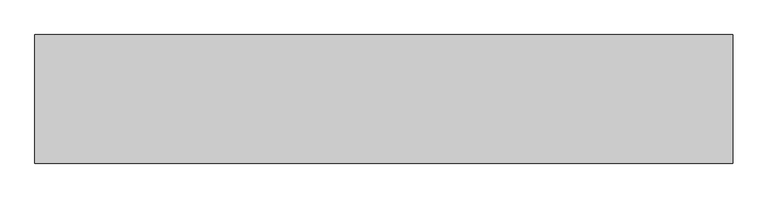
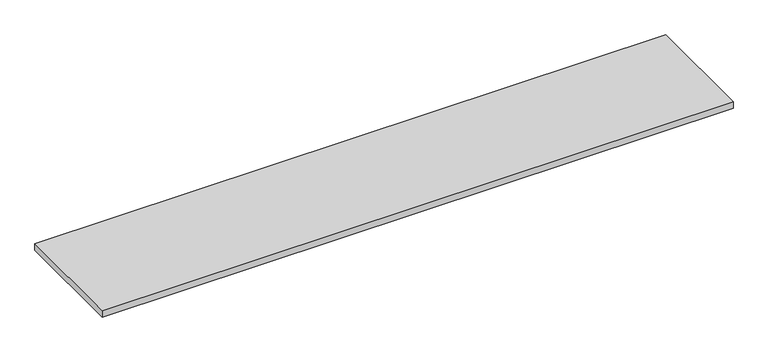
"""IFC4 building model written with IfcOpenShell, lengths in millimetres: furniture geometry."""

from ifc_helpers import new_model, si_unit, frame, origin, place, context, project, spatial, polyline, outline, extrude, source, transform, mapped, element, save


def furniture_69f45382(model_context):
    return source(origin(), model_context, "Body", "SweptSolid", [
        extrude(outline(polyline([(1979.676, 833.501), (1979.676, 328.549), (-760.476, 328.549), (-760.476, 833.501), (1979.676, 833.501)])), frame((0.0, 0.0, 726.059), z_axis=(0.0, 0.0, 1.0), x_axis=(1.0, 0.0, 0.0)), (0.0, 0.0, 1.0), 29.591),
    ])


if __name__ == "__main__":
    model = new_model("IFC4")
    model_context = context("Model", 3, world=origin())
    ifc_project = project(units=[si_unit("LENGTHUNIT", "METRE", prefix="MILLI")], contexts=[model_context])
    site = spatial("IfcSite", under=ifc_project)
    building = spatial("IfcBuilding", under=site)
    placement = place(None, origin())
    furniture_shape = furniture_69f45382(model_context)
    element("IfcFurniture", 1, at=placement, inside=building, context=model_context, shape_type="MappedRepresentation", body=[
        mapped(furniture_shape, transform((0.0, 0.0, 0.0), x_axis=(1.0, 0.0, 0.0), y_axis=(0.0, 1.0, 0.0), z_axis=(0.0, 0.0, 1.0))),
    ])
    save(model, "model.ifc")
